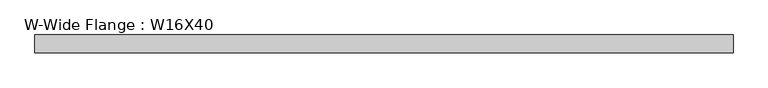
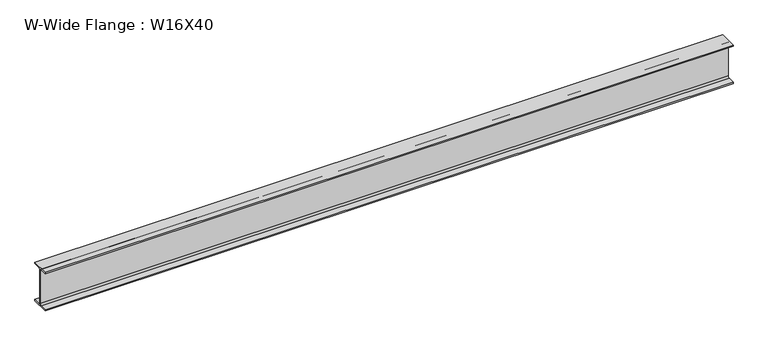
"""IFC4 building model written with IfcOpenShell, lengths in millimetres: beam geometry, W-Wide Flange : W16X40."""

from ifc_helpers import new_model, si_unit, point, frame, frame_2d, origin, place, context, project, spatial, polyline, circle_curve, trimmed, segment, composite_curve, outline, extrude, source, transform, mapped, element, save


def w_wide_flange_w16x40_9e36eb0e(model_context):
    return source(origin(), model_context, "Body", "SweptSolid", [
        extrude(outline(composite_curve([segment(polyline([(88.9, -190.4), (88.9, -203.2), (-88.9, -203.2), (-88.9, -190.4), (-21.25, -190.4)]), True, "CONTINUOUS"), segment(trimmed(circle_curve(frame_2d((-21.25, -173.0)), 17.4), [point((-21.25, -190.4))], [point((-3.85, -173.0))], True, "CARTESIAN"), True, "CONTINUOUS"), segment(polyline([(-3.85, -173.0), (-3.85, 173.0)]), True, "CONTINUOUS"), segment(trimmed(circle_curve(frame_2d((-21.25, 173.0)), 17.4), [point((-3.85, 173.0))], [point((-21.25, 190.4))], True, "CARTESIAN"), True, "CONTINUOUS"), segment(polyline([(-21.25, 190.4), (-88.9, 190.4), (-88.9, 203.2), (88.9, 203.2), (88.9, 190.4), (21.25, 190.4)]), True, "CONTINUOUS"), segment(trimmed(circle_curve(frame_2d((21.25, 173.0)), 17.4), [point((21.25, 190.4))], [point((3.85, 173.0))], True, "CARTESIAN"), True, "CONTINUOUS"), segment(polyline([(3.85, 173.0), (3.85, -173.0)]), True, "CONTINUOUS"), segment(trimmed(circle_curve(frame_2d((21.25, -173.0)), 17.4), [point((3.85, -173.0))], [point((21.25, -190.4))], True, "CARTESIAN"), True, "CONTINUOUS"), segment(polyline([(21.25, -190.4), (88.9, -190.4)]), True, "CONTINUOUS")], self_intersect=False)), frame((-1819.1523973, 0.0, 0.0), z_axis=(1.0, 0.0, 0.0), x_axis=(0.0, 1.0, 0.0)), (0.0, 0.0, 1.0), 6876.0592616),
    ])


if __name__ == "__main__":
    model = new_model("IFC4")
    model_context = context("Model", 3, world=origin())
    ifc_project = project(units=[si_unit("LENGTHUNIT", "METRE", prefix="MILLI")], contexts=[model_context])
    site = spatial("IfcSite", under=ifc_project)
    building = spatial("IfcBuilding", under=site)
    placement = place(None, origin())
    w_wide_flange_w16x40_shape = w_wide_flange_w16x40_9e36eb0e(model_context)
    element("IfcBeam", 1, ObjectType="W-Wide Flange : W16X40", at=placement, inside=building, context=model_context, shape_type="MappedRepresentation", body=[
        mapped(w_wide_flange_w16x40_shape, transform((0.0, 0.0, 0.0), x_axis=(1.0, 0.0, 0.0), y_axis=(0.0, 1.0, 0.0), z_axis=(0.0, 0.0, 1.0))),
    ])
    save(model, "model.ifc")
